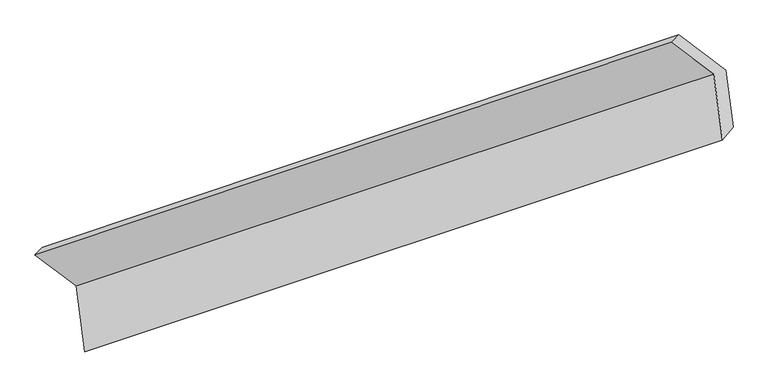
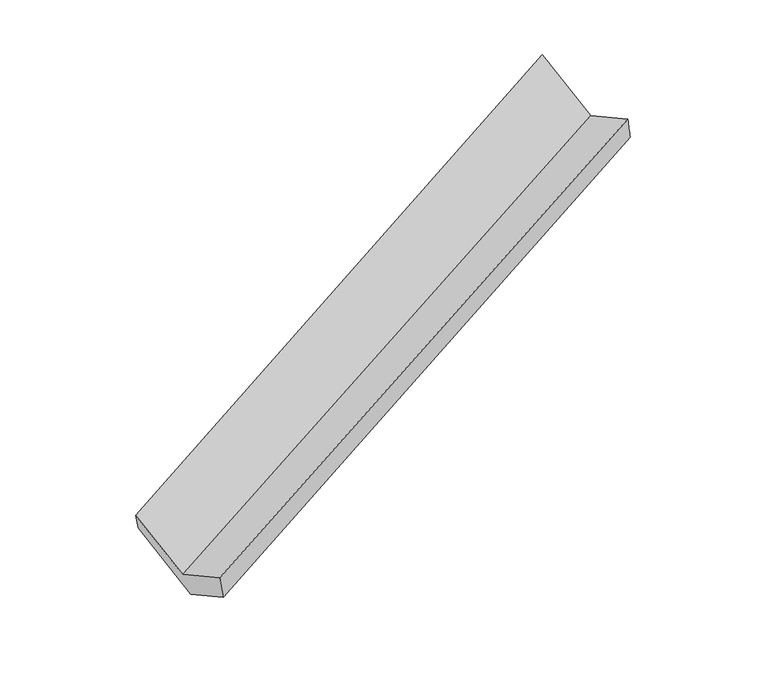
"""IFC4 building model written with IfcOpenShell, lengths in millimetres: proxy geometry."""

import ifcopenshell
import ifcopenshell.guid

model = None  # the IFC model being written
_history = None  # IfcOwnerHistory: only IFC2X3 demands one
_inside = {}  # id of a spatial element -> (the spatial element, [elements in it])
_under = {}  # id of a project, library or spatial element -> (it, [spatial elements below it])
_declared = {}  # id of a project -> (the project, [libraries it declares])
_typed = {}  # id of a type object -> (the type object, [elements of that type])
_made_of = {}  # id of a material, layer set ... -> (it, [elements and type objects made of it])


def new_model(schema):
    """Start an empty IFC model of exactly this schema.

    Asked for "IFC4X3", IfcOpenShell would pick the latest addendum, in which some entities
    have other attributes; the version numbers below select the first issue.
    IFC2X3 requires an IfcOwnerHistory on every rooted entity: one is made here for all.
    """
    global model, _history
    if schema == "IFC4X3":
        model = ifcopenshell.file(schema_version=(4, 3, 0, 0))
    else:
        model = ifcopenshell.file(schema=schema)
    _inside.clear()
    _under.clear()
    _declared.clear()
    _typed.clear()
    _made_of.clear()
    _history = None
    if model.schema == "IFC2X3":
        org = make("IfcOrganization", Name="unknown")
        user = make(
            "IfcPersonAndOrganization",
            ThePerson=make("IfcPerson", FamilyName="unknown"),
            TheOrganization=org,
        )
        app = make(
            "IfcApplication",
            ApplicationDeveloper=org,
            Version="unknown",
            ApplicationFullName="unknown",
            ApplicationIdentifier="unknown",
        )
        _history = make(
            "IfcOwnerHistory",
            OwningUser=user,
            OwningApplication=app,
            ChangeAction="ADDED",
            CreationDate=0,
        )
    return model


def make(cls, **values):
    """One entity of the class cls with the attributes given. An attribute that is None is left unset."""
    return model.create_entity(
        cls, **{name: value for name, value in values.items() if value is not None}
    )


def rooted(cls, **values):
    """An entity with a GlobalId (a new one), such as an element, a storey or a relation."""
    return make(cls, GlobalId=ifcopenshell.guid.new(), OwnerHistory=_history, **values)


def si_unit(unit_type, name, prefix=None):
    """IfcSIUnit, for example si_unit("LENGTHUNIT", "METRE", prefix="MILLI")."""
    return make("IfcSIUnit", UnitType=unit_type, Prefix=prefix, Name=name)


def assignment(units):
    """IfcUnitAssignment: the units of a project."""
    return None if units is None else make("IfcUnitAssignment", Units=units)


def point(xyz):
    """IfcCartesianPoint."""
    return None if xyz is None else make("IfcCartesianPoint", Coordinates=xyz)


def direction(xyz):
    """IfcDirection."""
    return None if xyz is None else make("IfcDirection", DirectionRatios=xyz)


def frame(location, z_axis=None, x_axis=None):
    """IfcAxis2Placement3D, a coordinate frame: its origin and axes. An axis left out is left unset."""
    return make(
        "IfcAxis2Placement3D",
        Location=point(location),
        Axis=direction(z_axis),
        RefDirection=direction(x_axis),
    )


def origin():
    """The frame at (0, 0, 0) with its axes left unset."""
    return frame((0.0, 0.0, 0.0))


def place(relative_to, where):
    """IfcLocalPlacement: puts the frame where relative to a parent placement (None: the world)."""
    return make(
        "IfcLocalPlacement", PlacementRelTo=relative_to, RelativePlacement=where
    )


def context(
    kind, dimensions, precision=None, world=None, true_north=None, identifier=None
):
    """IfcGeometricRepresentationContext, for example the 3D "Model" context."""
    return make(
        "IfcGeometricRepresentationContext",
        ContextIdentifier=identifier,
        ContextType=kind,
        CoordinateSpaceDimension=dimensions,
        Precision=precision,
        WorldCoordinateSystem=world,
        TrueNorth=true_north,
    )


def project(units=None, contexts=None):
    """IfcProject with its units and contexts."""
    return rooted(
        "IfcProject",
        Name="project",
        RepresentationContexts=contexts,
        UnitsInContext=assignment(units),
    )


def spatial(cls, under=None, at=None, **own):
    """A site, building, storey or space (cls), placed at a placement, below another one or the project."""
    s = rooted(cls, ObjectPlacement=at, **own)
    if under is not None:
        _under.setdefault(under.id(), (under, []))[1].append(s)
    return s


def shape(context_of_items, identifier, shape_type, items):
    """IfcShapeRepresentation: the items that make up one representation, for example the "Body"."""
    return make(
        "IfcShapeRepresentation",
        ContextOfItems=context_of_items,
        RepresentationIdentifier=identifier,
        RepresentationType=shape_type,
        Items=items,
    )


def source(mapping_origin, context_of_items, identifier, shape_type, items):
    """IfcRepresentationMap: a shape defined once, which mapped items show again and again."""
    return make(
        "IfcRepresentationMap",
        MappingOrigin=mapping_origin,
        MappedRepresentation=shape(context_of_items, identifier, shape_type, items),
    )


def transform(
    local_origin,
    x_axis=None,
    y_axis=None,
    z_axis=None,
    scale=None,
    scale2=None,
    scale3=None,
    uniform=True,
):
    """IfcCartesianTransformationOperator3D, or its non-uniform kind. x_axis, y_axis, z_axis: its Axis1, 2, 3."""
    if uniform:
        return make(
            "IfcCartesianTransformationOperator3D",
            Axis1=direction(x_axis),
            Axis2=direction(y_axis),
            LocalOrigin=point(local_origin),
            Scale=scale,
            Axis3=direction(z_axis),
        )
    return make(
        "IfcCartesianTransformationOperator3DnonUniform",
        Axis1=direction(x_axis),
        Axis2=direction(y_axis),
        LocalOrigin=point(local_origin),
        Scale=scale,
        Axis3=direction(z_axis),
        Scale2=scale2,
        Scale3=scale3,
    )


def mapped(mapping_source, mapping_target):
    """IfcMappedItem: shows the shape of a source again, moved by a transform."""
    return make(
        "IfcMappedItem", MappingSource=mapping_source, MappingTarget=mapping_target
    )


def made_of(thing, what):
    """Note that an element or type object is made of a material, layer set ...; save() writes the relation."""
    if what is not None:
        _made_of.setdefault(what.id(), (what, []))[1].append(thing)
    return thing


def element(
    cls,
    number,
    at=None,
    inside=None,
    cuts=None,
    type_object=None,
    material=None,
    context=None,
    identifier="Body",
    shape_type=None,
    held_by="IfcProductDefinitionShape",
    body=None,
    shapes=None,
    **own,
):
    """One element of the class cls, such as IfcWall. Its Tag is "e" and its number.

    at: its placement. inside: the storey or other place that contains it. cuts: it is an
    opening in that element (IfcRelVoidsElement). A single representation is given by context,
    identifier, shape_type and body (its items); several are given by shapes. held_by: the class
    of the entity that holds the representations. save() writes the other relations.
    """
    e = rooted(cls, Tag="e%d" % number, ObjectPlacement=at, **own)
    if body is not None:
        shapes = [shape(context, identifier, shape_type, body)]
    if shapes is not None:
        e.Representation = make(held_by, Representations=shapes)
    if inside is not None:
        _inside.setdefault(inside.id(), (inside, []))[1].append(e)
    if cuts is not None:
        rooted(
            "IfcRelVoidsElement", RelatingBuildingElement=cuts, RelatedOpeningElement=e
        )
    if type_object is not None:
        _typed.setdefault(type_object.id(), (type_object, []))[1].append(e)
    return made_of(e, material)


def aggregate(whole, parts):
    """IfcRelAggregates: a whole, such as a stair, and the parts it consists of."""
    return rooted("IfcRelAggregates", RelatingObject=whole, RelatedObjects=parts)


def save(model, path):
    """Write the relations noted so far, then the file.

    IfcRelAggregates (storeys below a building ...), IfcRelContainedInSpatialStructure (elements
    in a storey), IfcRelDefinesByType, IfcRelAssociatesMaterial and IfcRelDeclares: one each for
    every whole, place, type object, material and project.
    """
    for whole, parts in _under.values():
        aggregate(whole, parts)
    for where, things in _inside.values():
        rooted(
            "IfcRelContainedInSpatialStructure",
            RelatedElements=things,
            RelatingStructure=where,
        )
    for kind, things in _typed.values():
        rooted("IfcRelDefinesByType", RelatedObjects=things, RelatingType=kind)
    for what, things in _made_of.values():
        rooted("IfcRelAssociatesMaterial", RelatedObjects=things, RelatingMaterial=what)
    for by, libraries in _declared.values():
        rooted("IfcRelDeclares", RelatingContext=by, RelatedDefinitions=libraries)
    model.write(path)


def plane_surface(at):
    """IfcPlane: the flat surface through the origin of the frame at, square to its z axis."""
    return make("IfcPlane", Position=at)


def spline_surface(u_degree, v_degree, points, u_multiplicities, v_multiplicities, u_knots, v_knots, weights=None):
    """IfcBSplineSurfaceWithKnots; with weights, IfcRationalBSplineSurfaceWithKnots. points: one row for each step in u."""
    own = dict(
        UDegree=u_degree,
        VDegree=v_degree,
        ControlPointsList=[[point(p) for p in row] for row in points],
        SurfaceForm="UNSPECIFIED",
        UClosed=False,
        VClosed=False,
        SelfIntersect=False,
        UMultiplicities=u_multiplicities,
        VMultiplicities=v_multiplicities,
        UKnots=u_knots,
        VKnots=v_knots,
        KnotSpec="UNSPECIFIED",
    )
    if weights is None:
        return make("IfcBSplineSurfaceWithKnots", **own)
    return make("IfcRationalBSplineSurfaceWithKnots", WeightsData=weights, **own)


def advanced_brep(points, edges, surfaces, faces):
    """IfcAdvancedBrep: a solid bounded by faces that lie on surfaces and meet in shared edges.

    An edge is (start, end): straight between two places in points (the first is 0);
    or (start, end, curve); or (start, end, curve, False) where it runs against its curve.
    A face is (place in surfaces, loops), or (place, loops, False) where it looks against
    its surface's normal. A loop lists edges by number (the first is 1), with a minus sign
    where the edge is run from its end to its start. The first loop is the outer one.
    """
    corners = [point(p) for p in points]
    vertices = [make("IfcVertexPoint", VertexGeometry=c) for c in corners]
    made = []
    for start, end, *more in edges:
        made.append(
            make(
                "IfcEdgeCurve",
                EdgeStart=vertices[start],
                EdgeEnd=vertices[end],
                EdgeGeometry=more[0] if more else make("IfcPolyline", Points=[corners[start], corners[end]]),
                SameSense=more[1] if len(more) > 1 else True,
            )
        )
    hull = []
    for where, loops, *sense in faces:
        bounds = []
        for j, loop in enumerate(loops):
            ring = [make("IfcOrientedEdge", EdgeElement=made[abs(k) - 1], Orientation=k > 0) for k in loop]
            bounds.append(
                make(
                    "IfcFaceOuterBound" if j == 0 else "IfcFaceBound",
                    Bound=make("IfcEdgeLoop", EdgeList=ring),
                    Orientation=True,
                )
            )
        hull.append(make("IfcAdvancedFace", Bounds=bounds, FaceSurface=surfaces[where], SameSense=sense[0] if sense else True))
    return make("IfcAdvancedBrep", Outer=make("IfcClosedShell", CfsFaces=hull))


def generic_models_3bad1b6a(model_context):
    return source(origin(), model_context, "Body", "AdvancedBrep", [
        advanced_brep(
        [(-4934.3158267, -2158.1536364, 926.1020736), (-4876.4440252, -2594.8503064, 1139.3251398), (-650.904247, -1189.3896935, 2869.627264), (-708.7083843, -753.2036133, 2656.6535002), (-5207.7120078, -1953.1052372, 1420.2600676), (-991.2053618, -541.3295746, 3167.2609973), (-5157.8432602, -1904.0620953, 1260.2659801), (-941.3366143, -492.2864328, 3007.2669098), (-4851.8006214, -2133.5954887, 707.1001829), (-630.7435772, -725.2326459, 2445.8763611), (-4800.6230913, -2519.7776428, 895.6588523), (-580.594145, -1103.6568435, 2630.6471031)],
        [
            (0, 1),
            (1, 2),
            (2, 3),
            (3, 0),
            (4, 0),
            (3, 5),
            (5, 4),
            (6, 4),
            (5, 7),
            (7, 6),
            (8, 6),
            (7, 9),
            (9, 8),
            (10, 8),
            (9, 11),
            (11, 10),
            (1, 10),
            (11, 2),
        ],
        [
            plane_surface(frame((-4905.3799259, -2376.5019714, 1032.7136067), z_axis=(-0.45134107502098125, 0.3425160630956589, 0.8239987745866832), x_axis=(0.11824931841956762, -0.8923012975806301, 0.4356781989372793))),
            plane_surface(frame((-5071.0139172, -2055.6294368, 1173.1810706), z_axis=(0.11824931841956465, -0.892301297580627, 0.4356781989372869), x_axis=(0.4550398224737461, -0.34128196971504327, -0.8224751528833453))),
            plane_surface(frame((-5182.777634, -1928.5836662, 1340.2630238), z_axis=(-0.37347097823609576, 0.913120871846005, 0.16349220719828034), x_axis=(-0.28559336434691385, -0.28086520239402213, 0.9162702485212406))),
            plane_surface(frame((-5004.8219408, -2018.828792, 983.6830815), z_axis=(-0.11824931841956672, 0.8923012975806283, -0.43567819893728343), x_axis=(-0.45503982247375646, 0.3412819697150358, 0.8224751528833425))),
            plane_surface(frame((-4826.2118564, -2326.6865657, 801.3795176), z_axis=(0.4531914334263243, -0.3418997680898982, -0.8232387704967906), x_axis=(-0.11824931841956768, 0.8923012975806299, -0.43567819893727977))),
            spline_surface(1, 1, [[(-4876.4440252, -2594.8503064, 1139.3251398), (-650.904247, -1189.3896935, 2869.627264)], [(-4800.6230913, -2519.7776428, 895.6588523), (-580.594145, -1103.6568435, 2630.6471031)]], [2, 2], [2, 2], [0.0, 1.0], [0.0, 1.0]),
            plane_surface(frame((-750.5820549, -800.8498006, 2796.2220226), z_axis=(0.8825847600408394, 0.2955080565456524, 0.3656762637364718), x_axis=(-0.45503982247375646, 0.3412819697150358, 0.8224751528833425))),
            plane_surface(frame((-4971.4564721, -2210.5907345, 1058.118716), z_axis=(-0.8825847600408555, -0.29550805654558543, -0.3656762637364872), x_axis=(-0.1182493184195689, 0.8923012975806301, -0.435678198937279))),
        ],
        [
            (0, [[1, 2, 3, 4]]),
            (1, [[5, -4, 6, 7]]),
            (2, [[8, -7, 9, 10]]),
            (3, [[11, -10, 12, 13]]),
            (4, [[14, -13, 15, 16]]),
            (5, [[17, -16, 18, -2]]),
            (6, [[-12, -9, -6, -3, -18, -15]]),
            (7, [[-1, -5, -8, -11, -14, -17]]),
        ],
    ),
    ])


if __name__ == "__main__":
    model = new_model("IFC4")
    model_context = context("Model", 3, world=origin())
    ifc_project = project(units=[si_unit("LENGTHUNIT", "METRE", prefix="MILLI")], contexts=[model_context])
    site = spatial("IfcSite", under=ifc_project)
    building = spatial("IfcBuilding", under=site)
    placement = place(None, origin())
    generic_models_shape = generic_models_3bad1b6a(model_context)
    element("IfcBuildingElementProxy", 1, Name="Generic Models", at=placement, inside=building, context=model_context, shape_type="MappedRepresentation", body=[
        mapped(generic_models_shape, transform((0.0, 0.0, 0.0), x_axis=(1.0, 0.0, 0.0), y_axis=(0.0, 1.0, 0.0), z_axis=(0.0, 0.0, 1.0))),
    ])
    save(model, "model.ifc")
